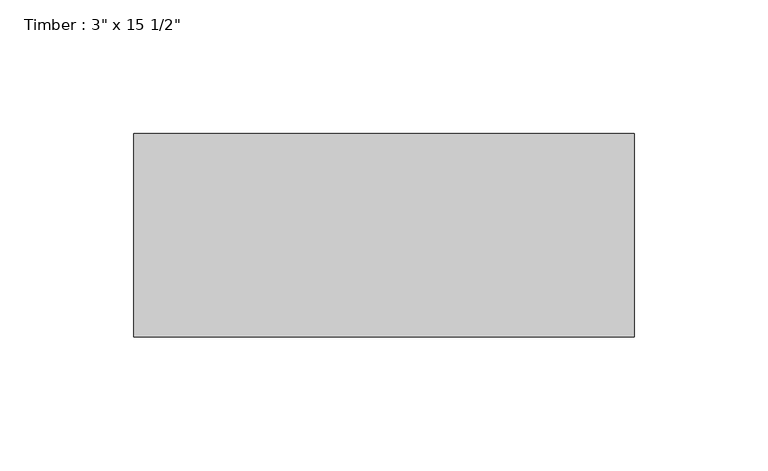
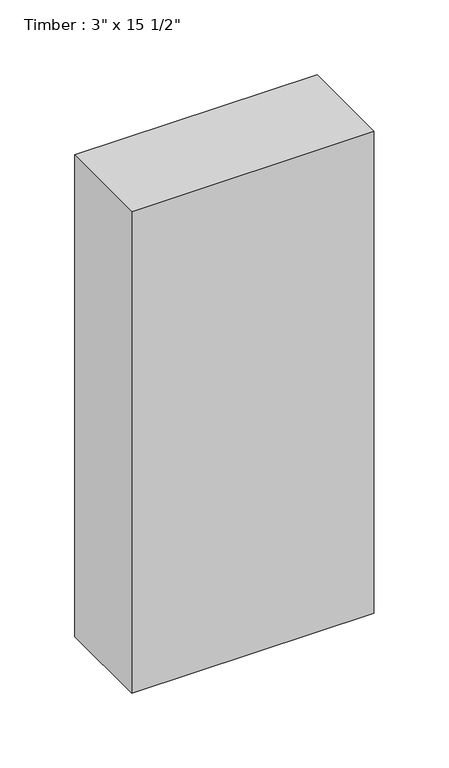
"""IFC4 building model written with IfcOpenShell, lengths in millimetres: beam geometry."""

from ifc_helpers import new_model, si_unit, frame, origin, place, context, project, spatial, polyline, outline, extrude, source, transform, mapped, element, save


def beam_0e20633b(model_context):
    return source(origin(), model_context, "Body", "SweptSolid", [
        extrude(outline(polyline([(93.6625, 38.1), (93.6625, -38.1), (-93.6625, -38.1), (-93.6625, 38.1), (93.6625, 38.1)])), frame((0.0, 0.0, -196.85), z_axis=(0.0, 0.0, 1.0), x_axis=(1.0, 0.0, 0.0)), (0.0, 0.0, 1.0), 393.7),
    ])


if __name__ == "__main__":
    model = new_model("IFC4")
    model_context = context("Model", 3, world=origin())
    ifc_project = project(units=[si_unit("LENGTHUNIT", "METRE", prefix="MILLI")], contexts=[model_context])
    site = spatial("IfcSite", under=ifc_project)
    building = spatial("IfcBuilding", under=site)
    placement = place(None, origin())
    beam_shape = beam_0e20633b(model_context)
    element("IfcBeam", 1, ObjectType="Timber : 3\" x 15 1/2\"", at=placement, inside=building, context=model_context, shape_type="MappedRepresentation", body=[
        mapped(beam_shape, transform((0.0, 0.0, 0.0), x_axis=(1.0, 0.0, 0.0), y_axis=(0.0, 1.0, 0.0), z_axis=(0.0, 0.0, 1.0))),
    ])
    save(model, "model.ifc")
